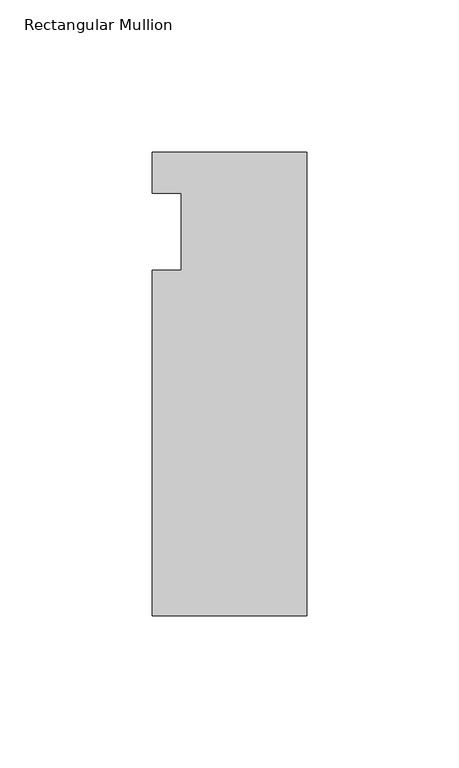
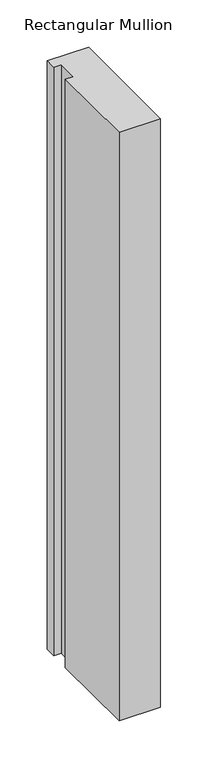
"""IFC4 building model written with IfcOpenShell, lengths in millimetres: member geometry, Rectangular Mullion."""

from ifc_helpers import new_model, si_unit, frame, origin, place, context, project, spatial, polyline, outline, extrude, source, transform, mapped, element, save


def rectangular_mullion_251bc421(model_context):
    return source(origin(), model_context, "Body", "SweptSolid", [
        extrude(outline(polyline([(-50.8, 26.19375), (0.0, 26.19375), (0.0, -126.20625), (-50.8, -126.20625), (-50.8, -12.7), (-41.275, -12.7), (-41.275, 12.7), (-50.8, 12.7), (-50.8, 26.19375)])), frame((0.0, 0.0, -762.0), z_axis=(0.0, 0.0, 1.0), x_axis=(1.0, 0.0, 0.0)), (0.0, 0.0, 1.0), 762.0),
    ])


if __name__ == "__main__":
    model = new_model("IFC4")
    model_context = context("Model", 3, world=origin())
    ifc_project = project(units=[si_unit("LENGTHUNIT", "METRE", prefix="MILLI")], contexts=[model_context])
    site = spatial("IfcSite", under=ifc_project)
    building = spatial("IfcBuilding", under=site)
    placement = place(None, origin())
    rectangular_mullion_shape = rectangular_mullion_251bc421(model_context)
    element("IfcMember", 1, ObjectType="Rectangular Mullion", at=placement, inside=building, context=model_context, shape_type="MappedRepresentation", body=[
        mapped(rectangular_mullion_shape, transform((0.0, 0.0, 0.0), x_axis=(1.0, 0.0, 0.0), y_axis=(0.0, 1.0, 0.0), z_axis=(0.0, 0.0, 1.0))),
    ])
    save(model, "model.ifc")
